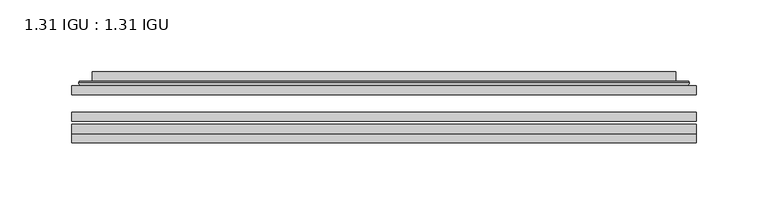
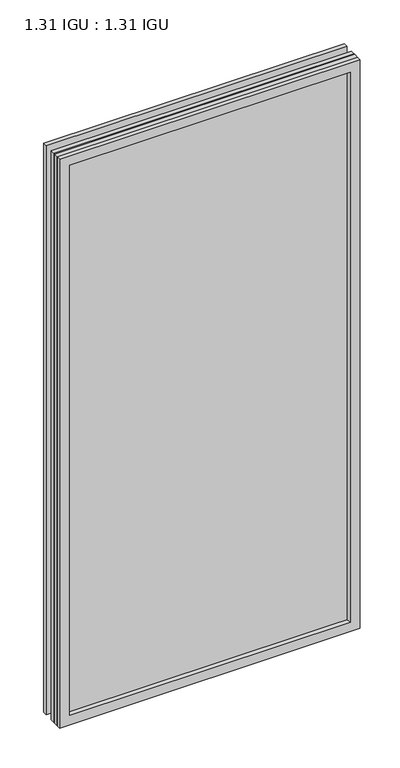
"""IFC4 building model written with IfcOpenShell, lengths in millimetres: plate geometry, 1.31 IGU : 1.31 IGU."""

from ifc_helpers import new_model, si_unit, frame, origin, place, context, project, spatial, polyline, ellipse_curve, outline, extrude, faceted_brep, source, transform, mapped, element, save
from ifc_brep_helpers import plane_surface, cylinder_surface, advanced_brep


def plate_1_31_igu_1_31_igu_5d2bc6e7(model_context):
    return source(origin(), model_context, "Body", "SolidModel", [
        extrude(outline(polyline([(217.501675, -63.59525), (217.501675, -69.94525), (-217.4875, -69.94525), (-217.4875, -63.59525), (217.501675, -63.59525)])), frame((0.0, 0.0, -14.2875), z_axis=(0.0, 0.0, 1.0), x_axis=(1.0, 0.0, 0.0)), (0.0, 0.0, 1.0), 869.9537979),
        extrude(outline(polyline([(-217.4875, -78.58125), (-217.4875, -72.230745), (217.501675, -72.230745), (217.501675, -78.58125), (-217.4875, -78.58125)])), frame((0.0, 0.0, -14.2875), z_axis=(0.0, 0.0, 1.0), x_axis=(1.0, 0.0, 0.0)), (0.0, 0.0, 1.0), 869.9537979),
        extrude(outline(polyline([(217.501675, -45.25645), (217.501675, -51.60645), (-217.4875, -51.60645), (-217.4875, -45.25645), (217.501675, -45.25645)])), frame((0.0, 0.0, -14.2875), z_axis=(0.0, 0.0, 1.0), x_axis=(1.0, 0.0, 0.0)), (0.0, 0.0, 1.0), 869.9537979),
        faceted_brep([(-217.5002, -84.93125, 855.6752), (-217.5002, -78.58125, 855.6752), (-217.5002, -78.58125, -14.3002), (-217.5002, -84.93125, -14.3002), (217.5002, -78.58125, -14.3002), (217.5002, -84.93125, -14.3002), (217.5002, -78.58125, 855.6752), (217.5002, -84.93125, 855.6752), (-202.3022559, -78.58125, 0.8977441), (202.3022559, -78.58125, 0.8977441), (202.3022559, -78.58125, 840.4772559), (-202.3022559, -78.58125, 840.4772559), (-203.1946902, -84.93125, 841.3696902), (203.1946902, -84.93125, 841.3696902), (203.1946902, -84.93125, 0.0053098), (-203.1946902, -84.93125, 0.0053098)], [[[0, 1, 2, 3]], [[3, 2, 4, 5]], [[5, 4, 6, 7]], [[1, 6, 4, 2], [8, 9, 10, 11]], [[7, 6, 1, 0]], [[3, 5, 7, 0], [12, 13, 14, 15]], [[11, 12, 15, 8]], [[8, 15, 14, 9]], [[9, 14, 13, 10]], [[10, 13, 12, 11]]]),
        advanced_brep(
        [(-210.246219, -45.25645, 848.4212191), (-212.6004244, -43.2667833, 850.7754244), (-212.6004244, -43.2667833, -9.4004244), (-210.246219, -45.25645, -7.046219), (-201.1718939, -41.416413, 839.3468939), (-196.2370621, -45.25645, 834.4120621), (-196.2370621, -45.25645, 6.9629379), (-201.1718939, -41.416413, 2.0281061), (-202.2039217, -36.0191819, 840.3789217), (-202.2039217, -36.0191819, 0.9960783), (-203.1945784, -35.6202069, 841.3695784), (-203.1945784, -35.6202069, 0.0054216), (-203.1945784, -42.08145, 841.3695784), (-203.1945784, -42.08145, 0.0054216), (-211.5986349, -42.08145, 849.7736349), (-211.5986349, -42.08145, -8.3986349), (212.6004244, -43.2667833, -9.4004244), (210.246219, -45.25645, -7.046219), (196.2370621, -45.25645, 6.9629379), (201.1718939, -41.416413, 2.0281061), (202.2039217, -36.0191819, 0.9960783), (203.1945784, -35.6202069, 0.0054216), (203.1945784, -42.08145, 0.0054216), (211.5986349, -42.08145, -8.3986349), (212.6004244, -43.2667833, 850.7754244), (210.246219, -45.25645, 848.4212191), (196.2370621, -45.25645, 834.4120621), (201.1718939, -41.416413, 839.3468939), (202.2039217, -36.0191819, 840.3789217), (203.1945784, -35.6202069, 841.3695784), (203.1945784, -42.08145, 841.3695784), (211.5986349, -42.08145, 849.7736349)],
        [
            (0, 1, ellipse_curve(frame((-210.246219, -42.86885, 848.4212191), z_axis=(-0.7071067811865475, 0.0, -0.7071067811865475), x_axis=(-0.7071067811865474, 0.0, 0.7071067811865476)), 3.3765763, 2.3876)),
            (1, 2),
            (2, 3, ellipse_curve(frame((-210.246219, -42.86885, -7.046219), z_axis=(-0.7071067811865475, 0.0, 0.7071067811865475), x_axis=(0.7071067811865474, 0.0, 0.7071067811865476)), 3.3765763, 2.3876)),
            (3, 0),
            (4, 5),
            (5, 6),
            (6, 7),
            (7, 4),
            (8, 4),
            (7, 9),
            (9, 8),
            (10, 8, ellipse_curve(frame((-202.8276219, -36.1384423, 841.0026219), z_axis=(-0.7071067811865475, 0.0, -0.7071067811865475), x_axis=(-0.7071067811865474, 0.0, 0.7071067811865476)), 0.8980256, 0.635)),
            (9, 11, ellipse_curve(frame((-202.8276219, -36.1384423, 0.3723781), z_axis=(-0.7071067811865475, 0.0, 0.7071067811865475), x_axis=(0.7071067811865474, 0.0, 0.7071067811865476)), 0.8980256, 0.635)),
            (11, 10),
            (12, 10),
            (11, 13),
            (13, 12),
            (1, 14, ellipse_curve(frame((-211.5986349, -43.09745, 849.7736349), z_axis=(-0.7071067811865475, 0.0, -0.7071067811865475), x_axis=(-0.7071067811865474, 0.0, 0.7071067811865476)), 1.436841, 1.016)),
            (14, 15),
            (15, 2, ellipse_curve(frame((-211.5986349, -43.09745, -8.3986349), z_axis=(-0.7071067811865475, 0.0, 0.7071067811865475), x_axis=(0.7071067811865474, 0.0, 0.7071067811865476)), 1.436841, 1.016)),
            (2, 16),
            (16, 17, ellipse_curve(frame((210.246219, -42.86885, -7.046219), z_axis=(-0.7071067811865475, 0.0, -0.7071067811865475), x_axis=(-0.7071067811865476, 0.0, 0.7071067811865474)), 3.3765763, 2.3876)),
            (17, 3),
            (6, 18),
            (18, 19),
            (19, 7),
            (19, 20),
            (20, 9),
            (20, 21, ellipse_curve(frame((202.8276219, -36.1384423, 0.3723781), z_axis=(-0.7071067811865475, 0.0, -0.7071067811865475), x_axis=(-0.7071067811865476, 0.0, 0.7071067811865474)), 0.8980256, 0.635)),
            (21, 11),
            (21, 22),
            (22, 13),
            (15, 23),
            (23, 16, ellipse_curve(frame((211.5986349, -43.09745, -8.3986349), z_axis=(-0.7071067811865475, 0.0, -0.7071067811865475), x_axis=(-0.7071067811865476, 0.0, 0.7071067811865474)), 1.436841, 1.016)),
            (16, 24),
            (24, 25, ellipse_curve(frame((210.246219, -42.86885, 848.4212191), z_axis=(0.7071067811865475, 0.0, -0.7071067811865475), x_axis=(-0.7071067811865474, 0.0, -0.7071067811865476)), 3.3765763, 2.3876)),
            (25, 17),
            (18, 26),
            (26, 27),
            (27, 19),
            (27, 28),
            (28, 20),
            (28, 29, ellipse_curve(frame((202.8276219, -36.1384423, 841.0026219), z_axis=(0.7071067811865475, 0.0, -0.7071067811865475), x_axis=(-0.7071067811865474, 0.0, -0.7071067811865476)), 0.8980256, 0.635)),
            (29, 21),
            (29, 30),
            (30, 22),
            (23, 31),
            (31, 24, ellipse_curve(frame((211.5986349, -43.09745, 849.7736349), z_axis=(0.7071067811865475, 0.0, -0.7071067811865475), x_axis=(-0.7071067811865474, 0.0, -0.7071067811865476)), 1.436841, 1.016)),
            (24, 1),
            (0, 25),
            (5, 26),
            (4, 27),
            (8, 28),
            (10, 29),
            (12, 30),
            (14, 31),
        ],
        [
            cylinder_surface(frame((-210.246219, -42.86885, 873.125), z_axis=(0.0, 0.0, 1.0), x_axis=(-1.0, 0.0, 0.0)), 2.3876),
            plane_surface(frame((-196.2370621, -45.25645, 834.4120621), z_axis=(0.6141233906514794, 0.7892100234124821, 0.0), x_axis=(0.0, 0.0, -1.0))),
            plane_surface(frame((-201.1718939, -41.416413, 839.3468939), z_axis=(0.9822050625507729, 0.18781164793386074, 0.0), x_axis=(0.0, 0.0, -1.0))),
            cylinder_surface(frame((-202.8276219, -36.1384423, 873.125), z_axis=(0.0, 0.0, 1.0), x_axis=(-1.0, 0.0, 0.0)), 0.635),
            plane_surface(frame((-203.1945784, -35.6202069, 841.3695784), z_axis=(-1.0, 0.0, 0.0), x_axis=(0.0, 0.0, -1.0))),
            cylinder_surface(frame((-211.5986349, -43.09745, 873.125), z_axis=(0.0, 0.0, 1.0), x_axis=(-1.0, 0.0, 0.0)), 1.016),
            cylinder_surface(frame((-234.95, -42.86885, -7.046219), z_axis=(-1.0, 0.0, 0.0), x_axis=(0.0, 0.0, -1.0)), 2.3876),
            plane_surface(frame((-196.2370621, -45.25645, 6.9629379), z_axis=(0.0, 0.7892100234124841, 0.6141233906514768), x_axis=(1.0, 0.0, 0.0))),
            plane_surface(frame((-201.1718939, -41.416413, 2.0281061), z_axis=(0.0, 0.18781164793386393, 0.9822050625507723), x_axis=(1.0, 0.0, 0.0))),
            cylinder_surface(frame((-234.95, -36.1384423, 0.3723781), z_axis=(-1.0, 0.0, 0.0), x_axis=(0.0, 0.0, -1.0)), 0.635),
            plane_surface(frame((-203.1945784, -35.6202069, 0.0054216), z_axis=(0.0, 0.0, -1.0), x_axis=(1.0, 0.0, 0.0))),
            cylinder_surface(frame((-234.95, -43.09745, -8.3986349), z_axis=(-1.0, 0.0, 0.0), x_axis=(0.0, 0.0, -1.0)), 1.016),
            cylinder_surface(frame((210.246219, -42.86885, -31.75), z_axis=(0.0, 0.0, -1.0), x_axis=(1.0, 0.0, 0.0)), 2.3876),
            plane_surface(frame((196.2370621, -45.25645, 6.9629379), z_axis=(-0.6141233906514743, 0.7892100234124861, 0.0), x_axis=(0.0, 0.0, 1.0))),
            plane_surface(frame((201.1718939, -41.416413, 2.0281061), z_axis=(-0.9822050625507718, 0.18781164793386712, 0.0), x_axis=(0.0, 0.0, 1.0))),
            cylinder_surface(frame((202.8276219, -36.1384423, -31.75), z_axis=(0.0, 0.0, -1.0), x_axis=(1.0, 0.0, 0.0)), 0.635),
            plane_surface(frame((203.1945784, -35.6202069, 0.0054216), z_axis=(1.0, 0.0, 0.0), x_axis=(0.0, 0.0, 1.0))),
            cylinder_surface(frame((211.5986349, -43.09745, -31.75), z_axis=(0.0, 0.0, -1.0), x_axis=(1.0, 0.0, 0.0)), 1.016),
            cylinder_surface(frame((234.95, -42.86885, 848.4212191), z_axis=(1.0, 0.0, 0.0), x_axis=(0.0, 0.0, 1.0)), 2.3876),
            plane_surface(frame((210.246219, -45.25645, 848.4212191), z_axis=(0.0, -1.0, 0.0), x_axis=(-1.0, 0.0, 0.0))),
            plane_surface(frame((196.2370621, -45.25645, 834.4120621), z_axis=(0.0, 0.7892100234124841, -0.6141233906514768), x_axis=(-1.0, 0.0, 0.0))),
            plane_surface(frame((201.1718939, -41.416413, 839.3468939), z_axis=(0.0, 0.18781164793386393, -0.9822050625507723), x_axis=(-1.0, 0.0, 0.0))),
            cylinder_surface(frame((234.95, -36.1384423, 841.0026219), z_axis=(1.0, 0.0, 0.0), x_axis=(0.0, 0.0, 1.0)), 0.635),
            plane_surface(frame((203.1945784, -35.6202069, 841.3695784), z_axis=(0.0, 0.0, 1.0), x_axis=(-1.0, 0.0, 0.0))),
            plane_surface(frame((203.1945784, -42.08145, 841.3695784), z_axis=(0.0, 1.0, 0.0), x_axis=(-1.0, 0.0, 0.0))),
            cylinder_surface(frame((234.95, -43.09745, 849.7736349), z_axis=(1.0, 0.0, 0.0), x_axis=(0.0, 0.0, 1.0)), 1.016),
        ],
        [
            (0, [[1, 2, 3, 4]]),
            (1, [[5, 6, 7, 8]]),
            (2, [[9, -8, 10, 11]]),
            (3, [[12, -11, 13, 14]]),
            (4, [[15, -14, 16, 17]]),
            (5, [[18, 19, 20, -2]]),
            (6, [[-3, 21, 22, 23]]),
            (7, [[-7, 24, 25, 26]]),
            (8, [[-10, -26, 27, 28]]),
            (9, [[-13, -28, 29, 30]]),
            (10, [[-16, -30, 31, 32]]),
            (11, [[-20, 33, 34, -21]]),
            (12, [[-22, 35, 36, 37]]),
            (13, [[-25, 38, 39, 40]]),
            (14, [[-27, -40, 41, 42]]),
            (15, [[-29, -42, 43, 44]]),
            (16, [[-31, -44, 45, 46]]),
            (17, [[-34, 47, 48, -35]]),
            (18, [[-36, 49, -1, 50]]),
            (19, [[-23, -37, -50, -4], [51, -38, -24, -6]]),
            (20, [[-39, -51, -5, 52]]),
            (21, [[-41, -52, -9, 53]]),
            (22, [[-43, -53, -12, 54]]),
            (23, [[-45, -54, -15, 55]]),
            (24, [[56, -47, -33, -19], [-32, -46, -55, -17]]),
            (25, [[-48, -56, -18, -49]]),
        ],
    ),
    ])


if __name__ == "__main__":
    model = new_model("IFC4")
    model_context = context("Model", 3, world=origin())
    ifc_project = project(units=[si_unit("LENGTHUNIT", "METRE", prefix="MILLI")], contexts=[model_context])
    site = spatial("IfcSite", under=ifc_project)
    building = spatial("IfcBuilding", under=site)
    placement = place(None, origin())
    plate_1_31_igu_1_31_igu_shape = plate_1_31_igu_1_31_igu_5d2bc6e7(model_context)
    element("IfcPlate", 1, ObjectType="1.31 IGU : 1.31 IGU", at=placement, inside=building, context=model_context, shape_type="MappedRepresentation", body=[
        mapped(plate_1_31_igu_1_31_igu_shape, transform((0.0, 0.0, 0.0), x_axis=(1.0, 0.0, 0.0), y_axis=(0.0, 1.0, 0.0), z_axis=(0.0, 0.0, 1.0))),
    ])
    save(model, "model.ifc")
